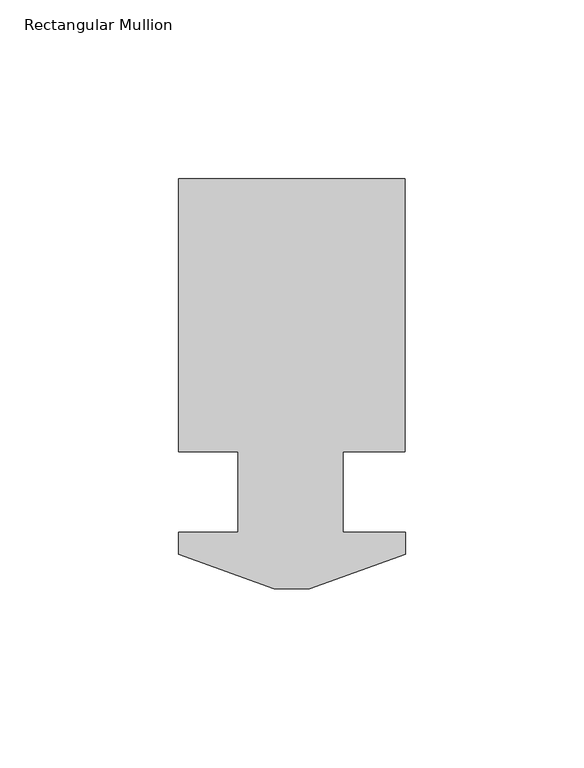
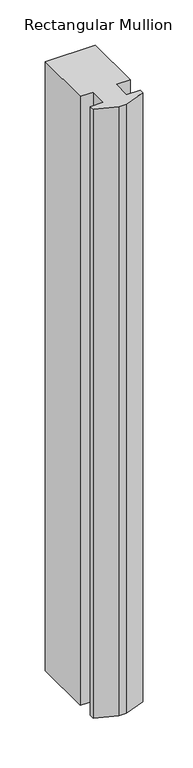
"""IFC4 building model written with IfcOpenShell, lengths in millimetres: member geometry, Rectangular Mullion."""

from ifc_helpers import new_model, si_unit, frame, origin, place, context, project, spatial, polyline, outline, extrude, source, transform, mapped, element, save


def rectangular_mullion_1468fb06(model_context):
    return source(origin(), model_context, "Body", "SweptSolid", [
        extrude(outline(polyline([(31.75, 76.6294188), (31.75, 0.0992187), (14.2875, 0.0992188), (14.2875, -22.3797812), (31.7750021, -22.3797812), (31.7750021, -28.4757813), (4.9772064, -38.2293812), (-4.9272021, -38.2293812), (-31.7249979, -28.4757812), (-31.7249979, -22.3797812), (-15.065769, -22.3797812), (-15.065769, 0.0992187), (-31.75, 0.0992188), (-31.75, 76.6294188), (31.75, 76.6294188)])), frame((0.0, 0.0, -819.15), z_axis=(0.0, 0.0, 1.0), x_axis=(1.0, 0.0, 0.0)), (0.0, 0.0, 1.0), 819.15),
    ])


if __name__ == "__main__":
    model = new_model("IFC4")
    model_context = context("Model", 3, world=origin())
    ifc_project = project(units=[si_unit("LENGTHUNIT", "METRE", prefix="MILLI")], contexts=[model_context])
    site = spatial("IfcSite", under=ifc_project)
    building = spatial("IfcBuilding", under=site)
    placement = place(None, origin())
    rectangular_mullion_shape = rectangular_mullion_1468fb06(model_context)
    element("IfcMember", 1, ObjectType="Rectangular Mullion", at=placement, inside=building, context=model_context, shape_type="MappedRepresentation", body=[
        mapped(rectangular_mullion_shape, transform((0.0, 0.0, 0.0), x_axis=(1.0, 0.0, 0.0), y_axis=(0.0, 1.0, 0.0), z_axis=(0.0, 0.0, 1.0))),
    ])
    save(model, "model.ifc")
